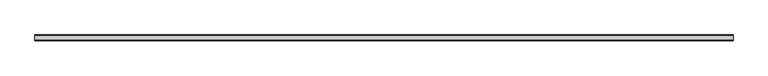
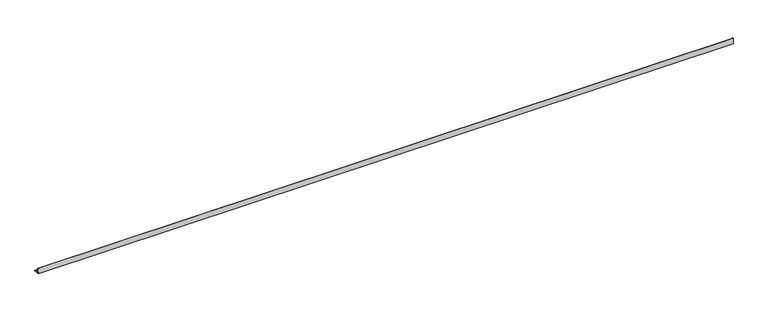
"""IFC4 building model written with IfcOpenShell, lengths in millimetres: beam geometry."""

from ifc_helpers import new_model, si_unit, point, frame, frame_2d, origin, place, context, project, spatial, polyline, circle_curve, trimmed, segment, composite_curve, outline, extrude, source, transform, mapped, element, save


def beam_442707b8(model_context):
    return source(origin(), model_context, "Body", "SweptSolid", [
        extrude(outline(composite_curve([segment(polyline([(-21.3, -21.3), (-21.3, 53.7), (-18.3, 53.7)]), True, "CONTINUOUS"), segment(trimmed(circle_curve(frame_2d((-18.3, 48.7)), 5.0), [point((-18.3, 53.7))], [point((-13.3, 48.7))], False, "CARTESIAN"), True, "CONTINUOUS"), segment(polyline([(-13.3, 48.7), (-13.3, -5.3)]), True, "CONTINUOUS"), segment(trimmed(circle_curve(frame_2d((-5.3, -5.3)), 8.0), [point((-13.3, -5.3))], [point((-5.3, -13.3))], True, "CARTESIAN"), True, "CONTINUOUS"), segment(polyline([(-5.3, -13.3), (48.7, -13.3)]), True, "CONTINUOUS"), segment(trimmed(circle_curve(frame_2d((48.7, -18.3)), 5.0), [point((48.7, -13.3))], [point((53.7, -18.3))], False, "CARTESIAN"), True, "CONTINUOUS"), segment(polyline([(53.7, -18.3), (53.7, -21.3), (-21.3, -21.3)]), True, "CONTINUOUS")], self_intersect=False)), frame((-4425.0, 0.0, 0.0), z_axis=(1.0, 0.0, 0.0), x_axis=(0.0, 1.0, 0.0)), (0.0, 0.0, 1.0), 8821.0),
    ])


if __name__ == "__main__":
    model = new_model("IFC4")
    model_context = context("Model", 3, world=origin())
    ifc_project = project(units=[si_unit("LENGTHUNIT", "METRE", prefix="MILLI")], contexts=[model_context])
    site = spatial("IfcSite", under=ifc_project)
    building = spatial("IfcBuilding", under=site)
    placement = place(None, origin())
    beam_shape = beam_442707b8(model_context)
    element("IfcBeam", 1, at=placement, inside=building, context=model_context, shape_type="MappedRepresentation", body=[
        mapped(beam_shape, transform((0.0, 0.0, 0.0), x_axis=(1.0, 0.0, 0.0), y_axis=(0.0, 1.0, 0.0), z_axis=(0.0, 0.0, 1.0))),
    ])
    save(model, "model.ifc")
